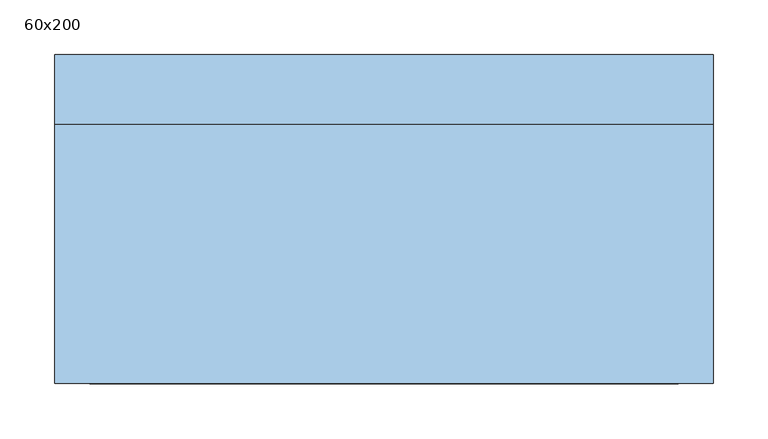
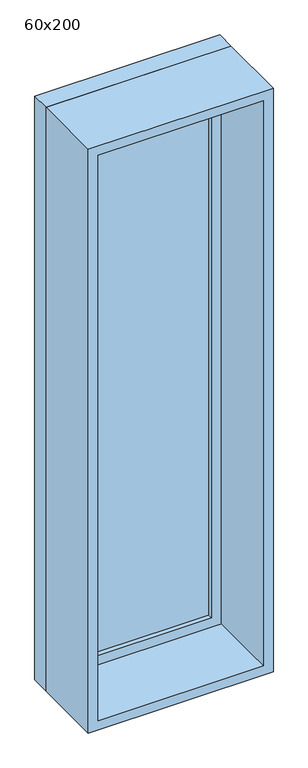
"""IFC4 building model written with IfcOpenShell, lengths in millimetres: window geometry, 60x200."""

import ifcopenshell
import ifcopenshell.guid

model = None  # the IFC model being written
_history = None  # IfcOwnerHistory: only IFC2X3 demands one
_inside = {}  # id of a spatial element -> (the spatial element, [elements in it])
_under = {}  # id of a project, library or spatial element -> (it, [spatial elements below it])
_declared = {}  # id of a project -> (the project, [libraries it declares])
_typed = {}  # id of a type object -> (the type object, [elements of that type])
_made_of = {}  # id of a material, layer set ... -> (it, [elements and type objects made of it])


def new_model(schema):
    """Start an empty IFC model of exactly this schema.

    Asked for "IFC4X3", IfcOpenShell would pick the latest addendum, in which some entities
    have other attributes; the version numbers below select the first issue.
    IFC2X3 requires an IfcOwnerHistory on every rooted entity: one is made here for all.
    """
    global model, _history
    if schema == "IFC4X3":
        model = ifcopenshell.file(schema_version=(4, 3, 0, 0))
    else:
        model = ifcopenshell.file(schema=schema)
    _inside.clear()
    _under.clear()
    _declared.clear()
    _typed.clear()
    _made_of.clear()
    _history = None
    if model.schema == "IFC2X3":
        org = make("IfcOrganization", Name="unknown")
        user = make(
            "IfcPersonAndOrganization",
            ThePerson=make("IfcPerson", FamilyName="unknown"),
            TheOrganization=org,
        )
        app = make(
            "IfcApplication",
            ApplicationDeveloper=org,
            Version="unknown",
            ApplicationFullName="unknown",
            ApplicationIdentifier="unknown",
        )
        _history = make(
            "IfcOwnerHistory",
            OwningUser=user,
            OwningApplication=app,
            ChangeAction="ADDED",
            CreationDate=0,
        )
    return model


def make(cls, **values):
    """One entity of the class cls with the attributes given. An attribute that is None is left unset."""
    return model.create_entity(
        cls, **{name: value for name, value in values.items() if value is not None}
    )


def rooted(cls, **values):
    """An entity with a GlobalId (a new one), such as an element, a storey or a relation."""
    return make(cls, GlobalId=ifcopenshell.guid.new(), OwnerHistory=_history, **values)


def si_unit(unit_type, name, prefix=None):
    """IfcSIUnit, for example si_unit("LENGTHUNIT", "METRE", prefix="MILLI")."""
    return make("IfcSIUnit", UnitType=unit_type, Prefix=prefix, Name=name)


def assignment(units):
    """IfcUnitAssignment: the units of a project."""
    return None if units is None else make("IfcUnitAssignment", Units=units)


def point(xyz):
    """IfcCartesianPoint."""
    return None if xyz is None else make("IfcCartesianPoint", Coordinates=xyz)


def direction(xyz):
    """IfcDirection."""
    return None if xyz is None else make("IfcDirection", DirectionRatios=xyz)


def frame(location, z_axis=None, x_axis=None):
    """IfcAxis2Placement3D, a coordinate frame: its origin and axes. An axis left out is left unset."""
    return make(
        "IfcAxis2Placement3D",
        Location=point(location),
        Axis=direction(z_axis),
        RefDirection=direction(x_axis),
    )


def origin():
    """The frame at (0, 0, 0) with its axes left unset."""
    return frame((0.0, 0.0, 0.0))


def place(relative_to, where):
    """IfcLocalPlacement: puts the frame where relative to a parent placement (None: the world)."""
    return make(
        "IfcLocalPlacement", PlacementRelTo=relative_to, RelativePlacement=where
    )


def context(
    kind, dimensions, precision=None, world=None, true_north=None, identifier=None
):
    """IfcGeometricRepresentationContext, for example the 3D "Model" context."""
    return make(
        "IfcGeometricRepresentationContext",
        ContextIdentifier=identifier,
        ContextType=kind,
        CoordinateSpaceDimension=dimensions,
        Precision=precision,
        WorldCoordinateSystem=world,
        TrueNorth=true_north,
    )


def project(units=None, contexts=None):
    """IfcProject with its units and contexts."""
    return rooted(
        "IfcProject",
        Name="project",
        RepresentationContexts=contexts,
        UnitsInContext=assignment(units),
    )


def spatial(cls, under=None, at=None, **own):
    """A site, building, storey or space (cls), placed at a placement, below another one or the project."""
    s = rooted(cls, ObjectPlacement=at, **own)
    if under is not None:
        _under.setdefault(under.id(), (under, []))[1].append(s)
    return s


def polyline(points):
    """IfcPolyline through the points."""
    return make("IfcPolyline", Points=[point(p) for p in points])


def outline(outer, holes=None, kind="AREA"):
    """IfcArbitraryClosedProfileDef: a profile drawn as a closed curve; with holes, ...WithVoids."""
    if holes is None:
        return make("IfcArbitraryClosedProfileDef", ProfileType=kind, OuterCurve=outer)
    return make(
        "IfcArbitraryProfileDefWithVoids",
        ProfileType=kind,
        OuterCurve=outer,
        InnerCurves=holes,
    )


def extrude(swept, where, along, depth):
    """IfcExtrudedAreaSolid: the profile swept, set in the frame where, extruded along a direction by depth."""
    return make(
        "IfcExtrudedAreaSolid",
        SweptArea=swept,
        Position=where,
        ExtrudedDirection=direction(along),
        Depth=depth,
    )


def shape(context_of_items, identifier, shape_type, items):
    """IfcShapeRepresentation: the items that make up one representation, for example the "Body"."""
    return make(
        "IfcShapeRepresentation",
        ContextOfItems=context_of_items,
        RepresentationIdentifier=identifier,
        RepresentationType=shape_type,
        Items=items,
    )


def source(mapping_origin, context_of_items, identifier, shape_type, items):
    """IfcRepresentationMap: a shape defined once, which mapped items show again and again."""
    return make(
        "IfcRepresentationMap",
        MappingOrigin=mapping_origin,
        MappedRepresentation=shape(context_of_items, identifier, shape_type, items),
    )


def transform(
    local_origin,
    x_axis=None,
    y_axis=None,
    z_axis=None,
    scale=None,
    scale2=None,
    scale3=None,
    uniform=True,
):
    """IfcCartesianTransformationOperator3D, or its non-uniform kind. x_axis, y_axis, z_axis: its Axis1, 2, 3."""
    if uniform:
        return make(
            "IfcCartesianTransformationOperator3D",
            Axis1=direction(x_axis),
            Axis2=direction(y_axis),
            LocalOrigin=point(local_origin),
            Scale=scale,
            Axis3=direction(z_axis),
        )
    return make(
        "IfcCartesianTransformationOperator3DnonUniform",
        Axis1=direction(x_axis),
        Axis2=direction(y_axis),
        LocalOrigin=point(local_origin),
        Scale=scale,
        Axis3=direction(z_axis),
        Scale2=scale2,
        Scale3=scale3,
    )


def mapped(mapping_source, mapping_target):
    """IfcMappedItem: shows the shape of a source again, moved by a transform."""
    return make(
        "IfcMappedItem", MappingSource=mapping_source, MappingTarget=mapping_target
    )


def made_of(thing, what):
    """Note that an element or type object is made of a material, layer set ...; save() writes the relation."""
    if what is not None:
        _made_of.setdefault(what.id(), (what, []))[1].append(thing)
    return thing


def element(
    cls,
    number,
    at=None,
    inside=None,
    cuts=None,
    type_object=None,
    material=None,
    context=None,
    identifier="Body",
    shape_type=None,
    held_by="IfcProductDefinitionShape",
    body=None,
    shapes=None,
    **own,
):
    """One element of the class cls, such as IfcWall. Its Tag is "e" and its number.

    at: its placement. inside: the storey or other place that contains it. cuts: it is an
    opening in that element (IfcRelVoidsElement). A single representation is given by context,
    identifier, shape_type and body (its items); several are given by shapes. held_by: the class
    of the entity that holds the representations. save() writes the other relations.
    """
    e = rooted(cls, Tag="e%d" % number, ObjectPlacement=at, **own)
    if body is not None:
        shapes = [shape(context, identifier, shape_type, body)]
    if shapes is not None:
        e.Representation = make(held_by, Representations=shapes)
    if inside is not None:
        _inside.setdefault(inside.id(), (inside, []))[1].append(e)
    if cuts is not None:
        rooted(
            "IfcRelVoidsElement", RelatingBuildingElement=cuts, RelatedOpeningElement=e
        )
    if type_object is not None:
        _typed.setdefault(type_object.id(), (type_object, []))[1].append(e)
    return made_of(e, material)


def aggregate(whole, parts):
    """IfcRelAggregates: a whole, such as a stair, and the parts it consists of."""
    return rooted("IfcRelAggregates", RelatingObject=whole, RelatedObjects=parts)


def save(model, path):
    """Write the relations noted so far, then the file.

    IfcRelAggregates (storeys below a building ...), IfcRelContainedInSpatialStructure (elements
    in a storey), IfcRelDefinesByType, IfcRelAssociatesMaterial and IfcRelDeclares: one each for
    every whole, place, type object, material and project.
    """
    for whole, parts in _under.values():
        aggregate(whole, parts)
    for where, things in _inside.values():
        rooted(
            "IfcRelContainedInSpatialStructure",
            RelatedElements=things,
            RelatingStructure=where,
        )
    for kind, things in _typed.values():
        rooted("IfcRelDefinesByType", RelatedObjects=things, RelatingType=kind)
    for what, things in _made_of.values():
        rooted("IfcRelAssociatesMaterial", RelatedObjects=things, RelatingMaterial=what)
    for by, libraries in _declared.values():
        rooted("IfcRelDeclares", RelatingContext=by, RelatedDefinitions=libraries)
    model.write(path)


def window_60x200_b3dd68a7(model_context):
    return source(origin(), model_context, "Body", "SweptSolid", [
        extrude(outline(polyline([(198.4, 102.375), (-274.6, 102.375), (-274.6, 115.075), (198.4, 115.075), (198.4, 102.375)])), frame((0.0, 0.0, 977.9), z_axis=(0.0, 0.0, 1.0), x_axis=(1.0, 0.0, 0.0)), (0.0, 0.0, 1.0), 1873.0),
        extrude(outline(polyline([(2895.35, -319.05), (933.45, -319.05), (933.45, 242.85), (2895.35, 242.85), (2895.35, -319.05)]), holes=[polyline([(2850.9, -274.6), (2850.9, 198.4), (977.9, 198.4), (977.9, -274.6), (2850.9, -274.6)])]), frame((0.0, 86.5, 0.0), z_axis=(0.0, 1.0, 0.0), x_axis=(0.0, 0.0, 1.0)), (0.0, 0.0, 1.0), 44.45),
        extrude(outline(polyline([(2914.4, -338.1), (914.4, -338.1), (914.4, 261.9), (2914.4, 261.9), (2914.4, -338.1)]), holes=[polyline([(2882.65, -306.35), (2882.65, 230.15), (946.15, 230.15), (946.15, -306.35), (2882.65, -306.35)])]), frame((0.0, -150.0, 0.0), z_axis=(0.0, 1.0, 0.0), x_axis=(0.0, 0.0, 1.0)), (0.0, 0.0, 1.0), 236.5),
        extrude(outline(polyline([(2914.4, 261.9), (2914.4, -338.1), (914.4, -338.1), (914.4, 261.9), (2914.4, 261.9)]), holes=[polyline([(2895.35, 242.85), (933.45, 242.85), (933.45, -319.05), (2895.35, -319.05), (2895.35, 242.85)])]), frame((0.0, 86.5, 0.0), z_axis=(0.0, 1.0, 0.0), x_axis=(0.0, 0.0, 1.0)), (0.0, 0.0, 1.0), 63.5),
    ])


if __name__ == "__main__":
    model = new_model("IFC4")
    model_context = context("Model", 3, world=origin())
    ifc_project = project(units=[si_unit("LENGTHUNIT", "METRE", prefix="MILLI")], contexts=[model_context])
    site = spatial("IfcSite", under=ifc_project)
    building = spatial("IfcBuilding", under=site)
    placement = place(None, origin())
    window_60x200_shape = window_60x200_b3dd68a7(model_context)
    element("IfcWindow", 1, ObjectType="60x200", at=placement, inside=building, context=model_context, shape_type="MappedRepresentation", body=[
        mapped(window_60x200_shape, transform((0.0, 0.0, 0.0), x_axis=(1.0, 0.0, 0.0), y_axis=(0.0, 1.0, 0.0), z_axis=(0.0, 0.0, 1.0))),
    ])
    save(model, "model.ifc")
